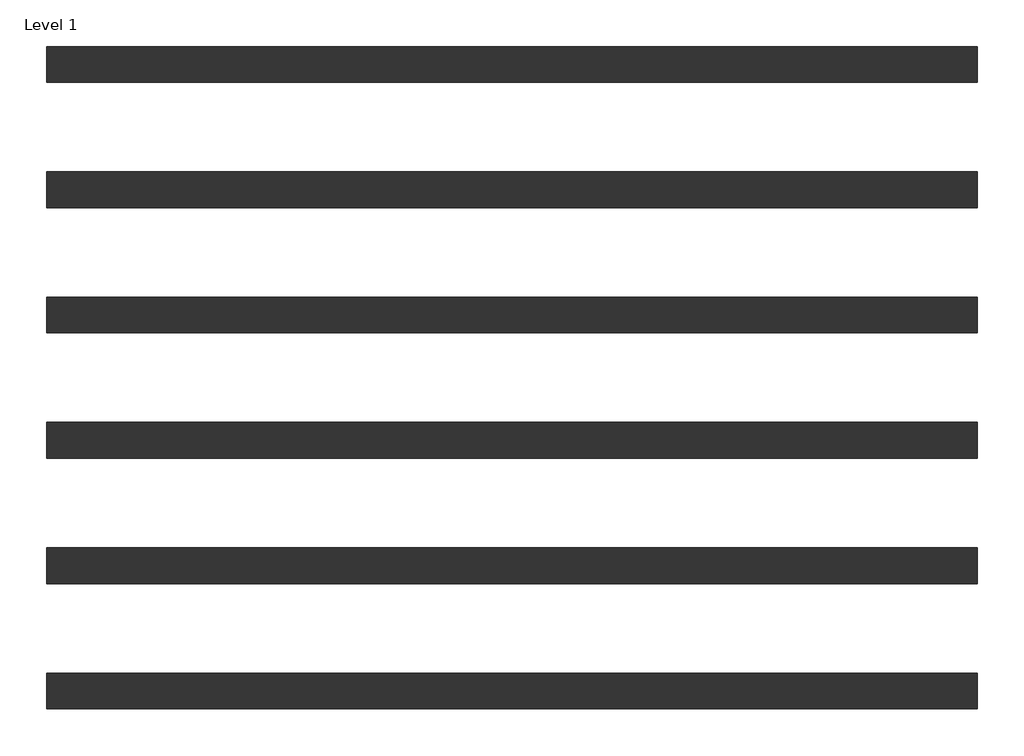
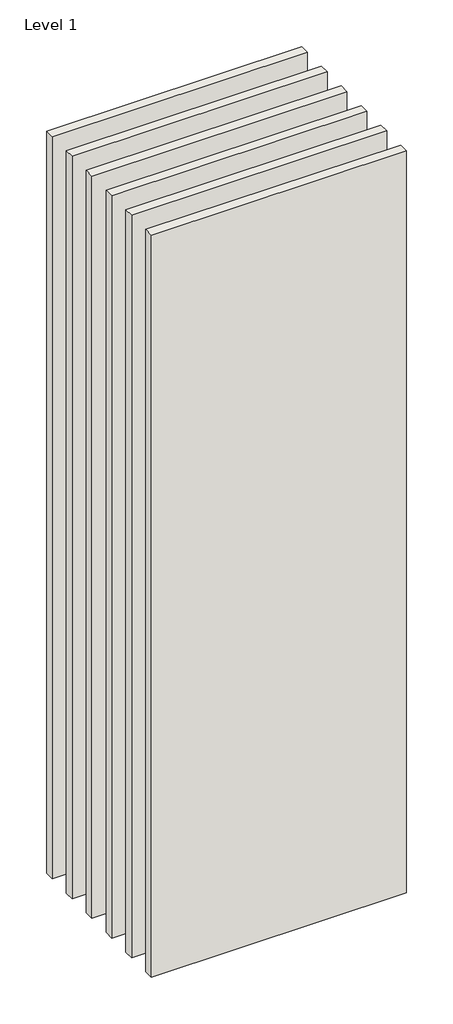
# One storey: 6 walls.
"""IFC4 building model written with IfcOpenShell, lengths in millimetres."""

from ifc_helpers import new_model, si_unit, origin, origin_with_axes, place, context, project, spatial, polyline, outline, extrude, element, save

model = new_model("IFC4")

# Units and contexts
model_context = context("Model", 3, world=origin())
ifc_project = project(units=[si_unit("LENGTHUNIT", "METRE", prefix="MILLI")], contexts=[model_context])

# Site, building, storey
site = spatial("IfcSite", under=ifc_project)
building = spatial("IfcBuilding", under=site)
storey = spatial("IfcBuildingStorey", under=building, Name="Level 1", Elevation=0.0)

# Walls
placement = place(None, origin())
element("IfcWall", 1, at=placement, inside=storey, context=model_context, shape_type="SweptSolid", body=[
    extrude(outline(polyline([(-16904.1464237, 3687.5198817), (-19504.1464237, 3687.5198817), (-19504.1464237, 3787.5198817), (-16904.1464237, 3787.5198817), (-16904.1464237, 3687.5198817)])), origin_with_axes(), (0.0, 0.0, 1.0), 8000.0),
])
element("IfcWall", 2, at=placement, inside=storey, context=model_context, shape_type="SweptSolid", body=[
    extrude(outline(polyline([(-16904.1464237, 3337.5198817), (-19504.1464237, 3337.5198817), (-19504.1464237, 3437.5198817), (-16904.1464237, 3437.5198817), (-16904.1464237, 3337.5198817)])), origin_with_axes(), (0.0, 0.0, 1.0), 8000.0),
])
element("IfcWall", 3, at=placement, inside=storey, context=model_context, shape_type="SweptSolid", body=[
    extrude(outline(polyline([(-16904.1464237, 2987.5198817), (-19504.1464237, 2987.5198817), (-19504.1464237, 3087.5198817), (-16904.1464237, 3087.5198817), (-16904.1464237, 2987.5198817)])), origin_with_axes(), (0.0, 0.0, 1.0), 8000.0),
])
element("IfcWall", 4, at=placement, inside=storey, context=model_context, shape_type="SweptSolid", body=[
    extrude(outline(polyline([(-16904.1464237, 2637.5198817), (-19504.1464237, 2637.5198817), (-19504.1464237, 2737.5198817), (-16904.1464237, 2737.5198817), (-16904.1464237, 2637.5198817)])), origin_with_axes(), (0.0, 0.0, 1.0), 8000.0),
])
element("IfcWall", 5, at=placement, inside=storey, context=model_context, shape_type="SweptSolid", body=[
    extrude(outline(polyline([(-16904.1464237, 2287.5198817), (-19504.1464237, 2287.5198817), (-19504.1464237, 2387.5198817), (-16904.1464237, 2387.5198817), (-16904.1464237, 2287.5198817)])), origin_with_axes(), (0.0, 0.0, 1.0), 8000.0),
])
element("IfcWall", 6, at=placement, inside=storey, context=model_context, shape_type="SweptSolid", body=[
    extrude(outline(polyline([(-16904.1464237, 1937.5198817), (-19504.1464237, 1937.5198817), (-19504.1464237, 2037.5198817), (-16904.1464237, 2037.5198817), (-16904.1464237, 1937.5198817)])), origin_with_axes(), (0.0, 0.0, 1.0), 8000.0),
])

save(model, "model.ifc")
